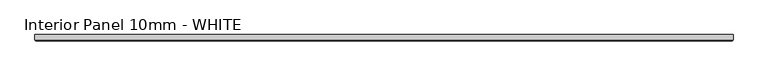
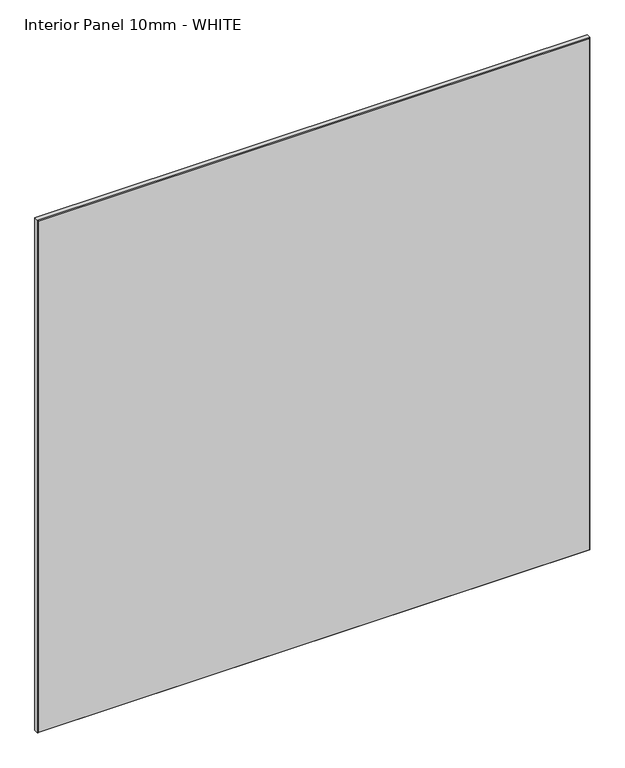
"""IFC4 building model written with IfcOpenShell, lengths in millimetres: proxy geometry, Interior Panel 10mm - WHITE."""

import ifcopenshell
import ifcopenshell.guid

model = None  # the IFC model being written
_history = None  # IfcOwnerHistory: only IFC2X3 demands one
_inside = {}  # id of a spatial element -> (the spatial element, [elements in it])
_under = {}  # id of a project, library or spatial element -> (it, [spatial elements below it])
_declared = {}  # id of a project -> (the project, [libraries it declares])
_typed = {}  # id of a type object -> (the type object, [elements of that type])
_made_of = {}  # id of a material, layer set ... -> (it, [elements and type objects made of it])


def new_model(schema):
    """Start an empty IFC model of exactly this schema.

    Asked for "IFC4X3", IfcOpenShell would pick the latest addendum, in which some entities
    have other attributes; the version numbers below select the first issue.
    IFC2X3 requires an IfcOwnerHistory on every rooted entity: one is made here for all.
    """
    global model, _history
    if schema == "IFC4X3":
        model = ifcopenshell.file(schema_version=(4, 3, 0, 0))
    else:
        model = ifcopenshell.file(schema=schema)
    _inside.clear()
    _under.clear()
    _declared.clear()
    _typed.clear()
    _made_of.clear()
    _history = None
    if model.schema == "IFC2X3":
        org = make("IfcOrganization", Name="unknown")
        user = make(
            "IfcPersonAndOrganization",
            ThePerson=make("IfcPerson", FamilyName="unknown"),
            TheOrganization=org,
        )
        app = make(
            "IfcApplication",
            ApplicationDeveloper=org,
            Version="unknown",
            ApplicationFullName="unknown",
            ApplicationIdentifier="unknown",
        )
        _history = make(
            "IfcOwnerHistory",
            OwningUser=user,
            OwningApplication=app,
            ChangeAction="ADDED",
            CreationDate=0,
        )
    return model


def make(cls, **values):
    """One entity of the class cls with the attributes given. An attribute that is None is left unset."""
    return model.create_entity(
        cls, **{name: value for name, value in values.items() if value is not None}
    )


def rooted(cls, **values):
    """An entity with a GlobalId (a new one), such as an element, a storey or a relation."""
    return make(cls, GlobalId=ifcopenshell.guid.new(), OwnerHistory=_history, **values)


def si_unit(unit_type, name, prefix=None):
    """IfcSIUnit, for example si_unit("LENGTHUNIT", "METRE", prefix="MILLI")."""
    return make("IfcSIUnit", UnitType=unit_type, Prefix=prefix, Name=name)


def assignment(units):
    """IfcUnitAssignment: the units of a project."""
    return None if units is None else make("IfcUnitAssignment", Units=units)


def point(xyz):
    """IfcCartesianPoint."""
    return None if xyz is None else make("IfcCartesianPoint", Coordinates=xyz)


def direction(xyz):
    """IfcDirection."""
    return None if xyz is None else make("IfcDirection", DirectionRatios=xyz)


def frame(location, z_axis=None, x_axis=None):
    """IfcAxis2Placement3D, a coordinate frame: its origin and axes. An axis left out is left unset."""
    return make(
        "IfcAxis2Placement3D",
        Location=point(location),
        Axis=direction(z_axis),
        RefDirection=direction(x_axis),
    )


def origin():
    """The frame at (0, 0, 0) with its axes left unset."""
    return frame((0.0, 0.0, 0.0))


def place(relative_to, where):
    """IfcLocalPlacement: puts the frame where relative to a parent placement (None: the world)."""
    return make(
        "IfcLocalPlacement", PlacementRelTo=relative_to, RelativePlacement=where
    )


def context(
    kind, dimensions, precision=None, world=None, true_north=None, identifier=None
):
    """IfcGeometricRepresentationContext, for example the 3D "Model" context."""
    return make(
        "IfcGeometricRepresentationContext",
        ContextIdentifier=identifier,
        ContextType=kind,
        CoordinateSpaceDimension=dimensions,
        Precision=precision,
        WorldCoordinateSystem=world,
        TrueNorth=true_north,
    )


def project(units=None, contexts=None):
    """IfcProject with its units and contexts."""
    return rooted(
        "IfcProject",
        Name="project",
        RepresentationContexts=contexts,
        UnitsInContext=assignment(units),
    )


def spatial(cls, under=None, at=None, **own):
    """A site, building, storey or space (cls), placed at a placement, below another one or the project."""
    s = rooted(cls, ObjectPlacement=at, **own)
    if under is not None:
        _under.setdefault(under.id(), (under, []))[1].append(s)
    return s


def faces_of(points, faces, orient=None, outer=None):
    """IfcFace entities. A face is a list of loops; a loop is a list of indices into points, from 0.

    orient and outer hold one flag for each loop. By default every Orientation is true, the
    first loop of a face is its IfcFaceOuterBound and the others are IfcFaceBound.
    """
    made = []
    for i, loops in enumerate(faces):
        bounds = []
        for j, loop in enumerate(loops):
            is_outer = j == 0 if outer is None else outer[i][j]
            bounds.append(
                make(
                    "IfcFaceOuterBound" if is_outer else "IfcFaceBound",
                    Bound=make("IfcPolyLoop", Polygon=[points[k] for k in loop]),
                    Orientation=True if orient is None else orient[i][j],
                )
            )
        made.append(make("IfcFace", Bounds=bounds))
    return made


def faceted_brep(points, faces, orient=None, outer=None, voids=None):
    """IfcFacetedBrep: a solid bounded by flat faces; with voids (closed shells), ...WithVoids."""
    shared = [point(p) for p in points]
    hull = make("IfcClosedShell", CfsFaces=faces_of(shared, faces, orient, outer))
    if voids is None:
        return make("IfcFacetedBrep", Outer=hull)
    return make(
        "IfcFacetedBrepWithVoids",
        Outer=hull,
        Voids=[
            make(cls, CfsFaces=faces_of(shared, fs, o, b)) for cls, fs, o, b in voids
        ],
    )


def shape(context_of_items, identifier, shape_type, items):
    """IfcShapeRepresentation: the items that make up one representation, for example the "Body"."""
    return make(
        "IfcShapeRepresentation",
        ContextOfItems=context_of_items,
        RepresentationIdentifier=identifier,
        RepresentationType=shape_type,
        Items=items,
    )


def source(mapping_origin, context_of_items, identifier, shape_type, items):
    """IfcRepresentationMap: a shape defined once, which mapped items show again and again."""
    return make(
        "IfcRepresentationMap",
        MappingOrigin=mapping_origin,
        MappedRepresentation=shape(context_of_items, identifier, shape_type, items),
    )


def transform(
    local_origin,
    x_axis=None,
    y_axis=None,
    z_axis=None,
    scale=None,
    scale2=None,
    scale3=None,
    uniform=True,
):
    """IfcCartesianTransformationOperator3D, or its non-uniform kind. x_axis, y_axis, z_axis: its Axis1, 2, 3."""
    if uniform:
        return make(
            "IfcCartesianTransformationOperator3D",
            Axis1=direction(x_axis),
            Axis2=direction(y_axis),
            LocalOrigin=point(local_origin),
            Scale=scale,
            Axis3=direction(z_axis),
        )
    return make(
        "IfcCartesianTransformationOperator3DnonUniform",
        Axis1=direction(x_axis),
        Axis2=direction(y_axis),
        LocalOrigin=point(local_origin),
        Scale=scale,
        Axis3=direction(z_axis),
        Scale2=scale2,
        Scale3=scale3,
    )


def mapped(mapping_source, mapping_target):
    """IfcMappedItem: shows the shape of a source again, moved by a transform."""
    return make(
        "IfcMappedItem", MappingSource=mapping_source, MappingTarget=mapping_target
    )


def made_of(thing, what):
    """Note that an element or type object is made of a material, layer set ...; save() writes the relation."""
    if what is not None:
        _made_of.setdefault(what.id(), (what, []))[1].append(thing)
    return thing


def element(
    cls,
    number,
    at=None,
    inside=None,
    cuts=None,
    type_object=None,
    material=None,
    context=None,
    identifier="Body",
    shape_type=None,
    held_by="IfcProductDefinitionShape",
    body=None,
    shapes=None,
    **own,
):
    """One element of the class cls, such as IfcWall. Its Tag is "e" and its number.

    at: its placement. inside: the storey or other place that contains it. cuts: it is an
    opening in that element (IfcRelVoidsElement). A single representation is given by context,
    identifier, shape_type and body (its items); several are given by shapes. held_by: the class
    of the entity that holds the representations. save() writes the other relations.
    """
    e = rooted(cls, Tag="e%d" % number, ObjectPlacement=at, **own)
    if body is not None:
        shapes = [shape(context, identifier, shape_type, body)]
    if shapes is not None:
        e.Representation = make(held_by, Representations=shapes)
    if inside is not None:
        _inside.setdefault(inside.id(), (inside, []))[1].append(e)
    if cuts is not None:
        rooted(
            "IfcRelVoidsElement", RelatingBuildingElement=cuts, RelatedOpeningElement=e
        )
    if type_object is not None:
        _typed.setdefault(type_object.id(), (type_object, []))[1].append(e)
    return made_of(e, material)


def aggregate(whole, parts):
    """IfcRelAggregates: a whole, such as a stair, and the parts it consists of."""
    return rooted("IfcRelAggregates", RelatingObject=whole, RelatedObjects=parts)


def save(model, path):
    """Write the relations noted so far, then the file.

    IfcRelAggregates (storeys below a building ...), IfcRelContainedInSpatialStructure (elements
    in a storey), IfcRelDefinesByType, IfcRelAssociatesMaterial and IfcRelDeclares: one each for
    every whole, place, type object, material and project.
    """
    for whole, parts in _under.values():
        aggregate(whole, parts)
    for where, things in _inside.values():
        rooted(
            "IfcRelContainedInSpatialStructure",
            RelatedElements=things,
            RelatingStructure=where,
        )
    for kind, things in _typed.values():
        rooted("IfcRelDefinesByType", RelatedObjects=things, RelatingType=kind)
    for what, things in _made_of.values():
        rooted("IfcRelAssociatesMaterial", RelatedObjects=things, RelatingMaterial=what)
    for by, libraries in _declared.values():
        rooted("IfcRelDeclares", RelatingContext=by, RelatedDefinitions=libraries)
    model.write(path)


def interior_panel_10mm_white_02f113fa(model_context):
    return source(origin(), model_context, "Body", "Brep", [
        faceted_brep([(1011.2375, 3.175, 1063.625), (-73.025, 3.175, 1063.625), (-73.025, -4.7625, 1063.625), (1011.2375, -4.7625, 1063.625), (1011.2375, 3.175, 0.0), (1011.2375, -4.7625, 0.0), (-73.025, -4.7625, 0.0), (-73.025, 3.175, 0.0), (-71.4375, -6.35, 1062.0375), (-71.4375, -6.35, 1.5875), (1009.65, -6.35, 1.5875), (1009.65, -6.35, 1062.0375)], [[[0, 1, 2, 3]], [[4, 5, 6, 7]], [[1, 0, 4, 7]], [[2, 1, 7, 6]], [[8, 9, 10, 11]], [[0, 3, 5, 4]], [[2, 6, 9, 8]], [[5, 3, 11, 10]], [[3, 2, 8, 11]], [[6, 5, 10, 9]]]),
    ])


if __name__ == "__main__":
    model = new_model("IFC4")
    model_context = context("Model", 3, world=origin())
    ifc_project = project(units=[si_unit("LENGTHUNIT", "METRE", prefix="MILLI")], contexts=[model_context])
    site = spatial("IfcSite", under=ifc_project)
    building = spatial("IfcBuilding", under=site)
    placement = place(None, origin())
    interior_panel_10mm_white_shape = interior_panel_10mm_white_02f113fa(model_context)
    element("IfcBuildingElementProxy", 1, Name="Interior Panel 10mm - WHITE", ObjectType="Interior Panel 10mm - WHITE", at=placement, inside=building, context=model_context, shape_type="MappedRepresentation", body=[
        mapped(interior_panel_10mm_white_shape, transform((0.0, 0.0, 0.0), x_axis=(1.0, 0.0, 0.0), y_axis=(0.0, 1.0, 0.0), z_axis=(0.0, 0.0, 1.0))),
    ])
    save(model, "model.ifc")
